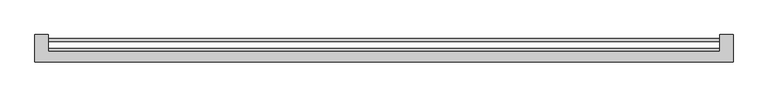
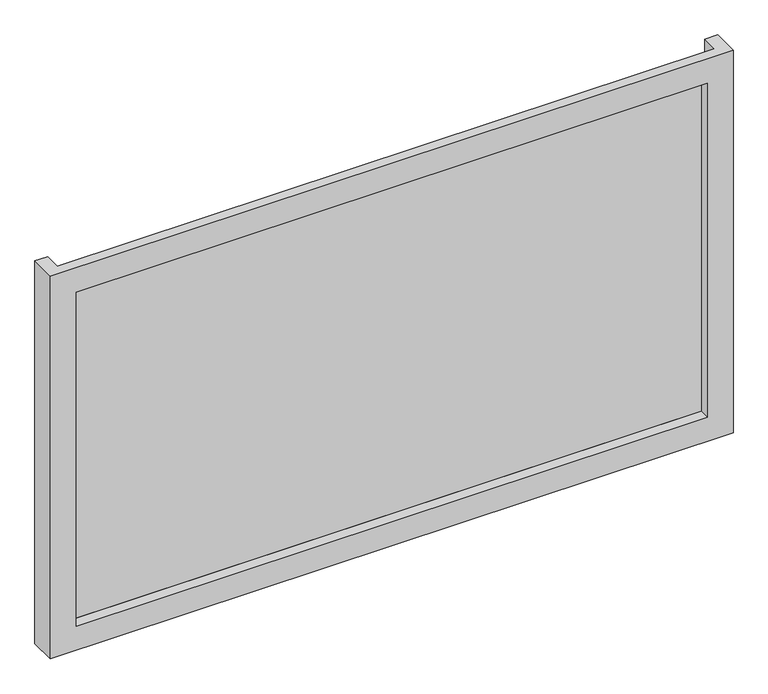
"""IFC4 building model written with IfcOpenShell, lengths in millimetres: plate geometry."""

from ifc_helpers import new_model, si_unit, origin, origin_with_axes, place, context, project, spatial, polyline, outline, extrude, faceted_brep, source, transform, mapped, element, save


def plate_488afca5(model_context):
    return source(origin(), model_context, "Body", "SolidModel", [
        faceted_brep([(662.5, -51.0, -50.0), (662.5, -103.0, -50.0), (-662.5, -103.0, -50.0), (-662.5, -51.0, -50.0), (-637.5, -51.0, -50.0), (-637.5, -83.0, -50.0), (637.5, -83.0, -50.0), (637.5, -51.0, -50.0), (612.5, -103.0, 0.0), (612.5, -83.0, 0.0), (-612.5, -83.0, 0.0), (-612.5, -103.0, 0.0), (662.5, -103.0, 735.0), (-662.5, -103.0, 735.0), (-612.5, -103.0, 685.0), (612.5, -103.0, 685.0), (-637.5, -83.0, 735.0), (637.5, -83.0, 735.0), (612.5, -83.0, 685.0), (-612.5, -83.0, 685.0), (662.5, -51.0, 735.0), (637.5, -51.0, 735.0), (-637.5, -51.0, 735.0), (-662.5, -51.0, 735.0)], [[[0, 1, 2, 3, 4, 5, 6, 7]], [[8, 9, 10, 11]], [[12, 13, 2, 1], [11, 14, 15, 8]], [[16, 17, 6, 5], [9, 18, 19, 10]], [[20, 21, 17, 16, 22, 23, 13, 12]], [[20, 0, 7, 21]], [[21, 7, 6, 17]], [[8, 15, 18, 9]], [[12, 1, 0, 20]], [[22, 4, 3, 23]], [[16, 5, 4, 22]], [[10, 19, 14, 11]], [[23, 3, 2, 13]], [[18, 15, 14, 19]]]),
        extrude(outline(polyline([(637.5, -77.0), (637.5, -83.0), (-637.5, -83.0), (-637.5, -77.0), (637.5, -77.0)])), origin_with_axes(), (0.0, 0.0, 1.0), 685.0),
        extrude(outline(polyline([(637.5, -64.4), (-637.5, -64.4), (-637.5, -58.0), (637.5, -58.0), (637.5, -64.4)])), origin_with_axes(), (0.0, 0.0, 1.0), 685.0),
    ])


if __name__ == "__main__":
    model = new_model("IFC4")
    model_context = context("Model", 3, world=origin())
    ifc_project = project(units=[si_unit("LENGTHUNIT", "METRE", prefix="MILLI")], contexts=[model_context])
    site = spatial("IfcSite", under=ifc_project)
    building = spatial("IfcBuilding", under=site)
    placement = place(None, origin())
    plate_shape = plate_488afca5(model_context)
    element("IfcPlate", 1, at=placement, inside=building, context=model_context, shape_type="MappedRepresentation", body=[
        mapped(plate_shape, transform((0.0, 0.0, 0.0), x_axis=(1.0, 0.0, 0.0), y_axis=(0.0, 1.0, 0.0), z_axis=(0.0, 0.0, 1.0))),
    ])
    save(model, "model.ifc")
